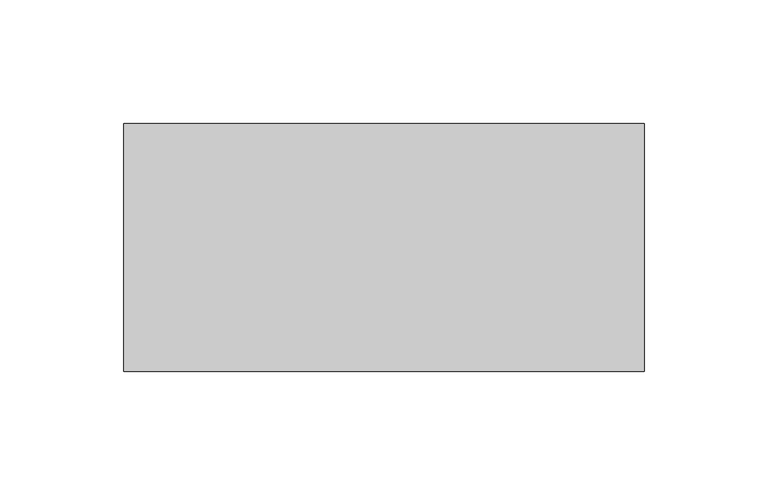
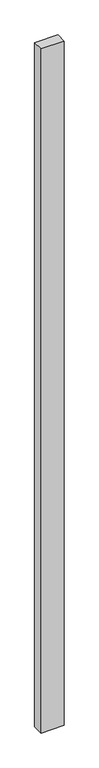
"""IFC4 building model written with IfcOpenShell, lengths in millimetres: proxy geometry."""

import ifcopenshell
import ifcopenshell.guid

model = None  # the IFC model being written
_history = None  # IfcOwnerHistory: only IFC2X3 demands one
_inside = {}  # id of a spatial element -> (the spatial element, [elements in it])
_under = {}  # id of a project, library or spatial element -> (it, [spatial elements below it])
_declared = {}  # id of a project -> (the project, [libraries it declares])
_typed = {}  # id of a type object -> (the type object, [elements of that type])
_made_of = {}  # id of a material, layer set ... -> (it, [elements and type objects made of it])


def new_model(schema):
    """Start an empty IFC model of exactly this schema.

    Asked for "IFC4X3", IfcOpenShell would pick the latest addendum, in which some entities
    have other attributes; the version numbers below select the first issue.
    IFC2X3 requires an IfcOwnerHistory on every rooted entity: one is made here for all.
    """
    global model, _history
    if schema == "IFC4X3":
        model = ifcopenshell.file(schema_version=(4, 3, 0, 0))
    else:
        model = ifcopenshell.file(schema=schema)
    _inside.clear()
    _under.clear()
    _declared.clear()
    _typed.clear()
    _made_of.clear()
    _history = None
    if model.schema == "IFC2X3":
        org = make("IfcOrganization", Name="unknown")
        user = make(
            "IfcPersonAndOrganization",
            ThePerson=make("IfcPerson", FamilyName="unknown"),
            TheOrganization=org,
        )
        app = make(
            "IfcApplication",
            ApplicationDeveloper=org,
            Version="unknown",
            ApplicationFullName="unknown",
            ApplicationIdentifier="unknown",
        )
        _history = make(
            "IfcOwnerHistory",
            OwningUser=user,
            OwningApplication=app,
            ChangeAction="ADDED",
            CreationDate=0,
        )
    return model


def make(cls, **values):
    """One entity of the class cls with the attributes given. An attribute that is None is left unset."""
    return model.create_entity(
        cls, **{name: value for name, value in values.items() if value is not None}
    )


def rooted(cls, **values):
    """An entity with a GlobalId (a new one), such as an element, a storey or a relation."""
    return make(cls, GlobalId=ifcopenshell.guid.new(), OwnerHistory=_history, **values)


def si_unit(unit_type, name, prefix=None):
    """IfcSIUnit, for example si_unit("LENGTHUNIT", "METRE", prefix="MILLI")."""
    return make("IfcSIUnit", UnitType=unit_type, Prefix=prefix, Name=name)


def assignment(units):
    """IfcUnitAssignment: the units of a project."""
    return None if units is None else make("IfcUnitAssignment", Units=units)


def point(xyz):
    """IfcCartesianPoint."""
    return None if xyz is None else make("IfcCartesianPoint", Coordinates=xyz)


def direction(xyz):
    """IfcDirection."""
    return None if xyz is None else make("IfcDirection", DirectionRatios=xyz)


def frame(location, z_axis=None, x_axis=None):
    """IfcAxis2Placement3D, a coordinate frame: its origin and axes. An axis left out is left unset."""
    return make(
        "IfcAxis2Placement3D",
        Location=point(location),
        Axis=direction(z_axis),
        RefDirection=direction(x_axis),
    )


def origin():
    """The frame at (0, 0, 0) with its axes left unset."""
    return frame((0.0, 0.0, 0.0))


def place(relative_to, where):
    """IfcLocalPlacement: puts the frame where relative to a parent placement (None: the world)."""
    return make(
        "IfcLocalPlacement", PlacementRelTo=relative_to, RelativePlacement=where
    )


def context(
    kind, dimensions, precision=None, world=None, true_north=None, identifier=None
):
    """IfcGeometricRepresentationContext, for example the 3D "Model" context."""
    return make(
        "IfcGeometricRepresentationContext",
        ContextIdentifier=identifier,
        ContextType=kind,
        CoordinateSpaceDimension=dimensions,
        Precision=precision,
        WorldCoordinateSystem=world,
        TrueNorth=true_north,
    )


def project(units=None, contexts=None):
    """IfcProject with its units and contexts."""
    return rooted(
        "IfcProject",
        Name="project",
        RepresentationContexts=contexts,
        UnitsInContext=assignment(units),
    )


def spatial(cls, under=None, at=None, **own):
    """A site, building, storey or space (cls), placed at a placement, below another one or the project."""
    s = rooted(cls, ObjectPlacement=at, **own)
    if under is not None:
        _under.setdefault(under.id(), (under, []))[1].append(s)
    return s


def polyline(points):
    """IfcPolyline through the points."""
    return make("IfcPolyline", Points=[point(p) for p in points])


def outline(outer, holes=None, kind="AREA"):
    """IfcArbitraryClosedProfileDef: a profile drawn as a closed curve; with holes, ...WithVoids."""
    if holes is None:
        return make("IfcArbitraryClosedProfileDef", ProfileType=kind, OuterCurve=outer)
    return make(
        "IfcArbitraryProfileDefWithVoids",
        ProfileType=kind,
        OuterCurve=outer,
        InnerCurves=holes,
    )


def extrude(swept, where, along, depth):
    """IfcExtrudedAreaSolid: the profile swept, set in the frame where, extruded along a direction by depth."""
    return make(
        "IfcExtrudedAreaSolid",
        SweptArea=swept,
        Position=where,
        ExtrudedDirection=direction(along),
        Depth=depth,
    )


def shape(context_of_items, identifier, shape_type, items):
    """IfcShapeRepresentation: the items that make up one representation, for example the "Body"."""
    return make(
        "IfcShapeRepresentation",
        ContextOfItems=context_of_items,
        RepresentationIdentifier=identifier,
        RepresentationType=shape_type,
        Items=items,
    )


def source(mapping_origin, context_of_items, identifier, shape_type, items):
    """IfcRepresentationMap: a shape defined once, which mapped items show again and again."""
    return make(
        "IfcRepresentationMap",
        MappingOrigin=mapping_origin,
        MappedRepresentation=shape(context_of_items, identifier, shape_type, items),
    )


def transform(
    local_origin,
    x_axis=None,
    y_axis=None,
    z_axis=None,
    scale=None,
    scale2=None,
    scale3=None,
    uniform=True,
):
    """IfcCartesianTransformationOperator3D, or its non-uniform kind. x_axis, y_axis, z_axis: its Axis1, 2, 3."""
    if uniform:
        return make(
            "IfcCartesianTransformationOperator3D",
            Axis1=direction(x_axis),
            Axis2=direction(y_axis),
            LocalOrigin=point(local_origin),
            Scale=scale,
            Axis3=direction(z_axis),
        )
    return make(
        "IfcCartesianTransformationOperator3DnonUniform",
        Axis1=direction(x_axis),
        Axis2=direction(y_axis),
        LocalOrigin=point(local_origin),
        Scale=scale,
        Axis3=direction(z_axis),
        Scale2=scale2,
        Scale3=scale3,
    )


def mapped(mapping_source, mapping_target):
    """IfcMappedItem: shows the shape of a source again, moved by a transform."""
    return make(
        "IfcMappedItem", MappingSource=mapping_source, MappingTarget=mapping_target
    )


def made_of(thing, what):
    """Note that an element or type object is made of a material, layer set ...; save() writes the relation."""
    if what is not None:
        _made_of.setdefault(what.id(), (what, []))[1].append(thing)
    return thing


def element(
    cls,
    number,
    at=None,
    inside=None,
    cuts=None,
    type_object=None,
    material=None,
    context=None,
    identifier="Body",
    shape_type=None,
    held_by="IfcProductDefinitionShape",
    body=None,
    shapes=None,
    **own,
):
    """One element of the class cls, such as IfcWall. Its Tag is "e" and its number.

    at: its placement. inside: the storey or other place that contains it. cuts: it is an
    opening in that element (IfcRelVoidsElement). A single representation is given by context,
    identifier, shape_type and body (its items); several are given by shapes. held_by: the class
    of the entity that holds the representations. save() writes the other relations.
    """
    e = rooted(cls, Tag="e%d" % number, ObjectPlacement=at, **own)
    if body is not None:
        shapes = [shape(context, identifier, shape_type, body)]
    if shapes is not None:
        e.Representation = make(held_by, Representations=shapes)
    if inside is not None:
        _inside.setdefault(inside.id(), (inside, []))[1].append(e)
    if cuts is not None:
        rooted(
            "IfcRelVoidsElement", RelatingBuildingElement=cuts, RelatedOpeningElement=e
        )
    if type_object is not None:
        _typed.setdefault(type_object.id(), (type_object, []))[1].append(e)
    return made_of(e, material)


def aggregate(whole, parts):
    """IfcRelAggregates: a whole, such as a stair, and the parts it consists of."""
    return rooted("IfcRelAggregates", RelatingObject=whole, RelatedObjects=parts)


def save(model, path):
    """Write the relations noted so far, then the file.

    IfcRelAggregates (storeys below a building ...), IfcRelContainedInSpatialStructure (elements
    in a storey), IfcRelDefinesByType, IfcRelAssociatesMaterial and IfcRelDeclares: one each for
    every whole, place, type object, material and project.
    """
    for whole, parts in _under.values():
        aggregate(whole, parts)
    for where, things in _inside.values():
        rooted(
            "IfcRelContainedInSpatialStructure",
            RelatedElements=things,
            RelatingStructure=where,
        )
    for kind, things in _typed.values():
        rooted("IfcRelDefinesByType", RelatedObjects=things, RelatingType=kind)
    for what, things in _made_of.values():
        rooted("IfcRelAssociatesMaterial", RelatedObjects=things, RelatingMaterial=what)
    for by, libraries in _declared.values():
        rooted("IfcRelDeclares", RelatingContext=by, RelatedDefinitions=libraries)
    model.write(path)


def generic_models_17ed07f6(model_context):
    return source(origin(), model_context, "Body", "SweptSolid", [
        extrude(outline(polyline([(210.0, 100.0), (210.0, 0.0), (0.0, 0.0), (0.0, 100.0), (210.0, 100.0)])), frame((0.0, 0.0, -6550.0), z_axis=(0.0, 0.0, 1.0), x_axis=(1.0, 0.0, 0.0)), (0.0, 0.0, 1.0), 6550.0),
    ])


if __name__ == "__main__":
    model = new_model("IFC4")
    model_context = context("Model", 3, world=origin())
    ifc_project = project(units=[si_unit("LENGTHUNIT", "METRE", prefix="MILLI")], contexts=[model_context])
    site = spatial("IfcSite", under=ifc_project)
    building = spatial("IfcBuilding", under=site)
    placement = place(None, origin())
    generic_models_shape = generic_models_17ed07f6(model_context)
    element("IfcBuildingElementProxy", 1, Name="Generic Models", at=placement, inside=building, context=model_context, shape_type="MappedRepresentation", body=[
        mapped(generic_models_shape, transform((0.0, 0.0, 0.0), x_axis=(1.0, 0.0, 0.0), y_axis=(0.0, 1.0, 0.0), z_axis=(0.0, 0.0, 1.0))),
    ])
    save(model, "model.ifc")
